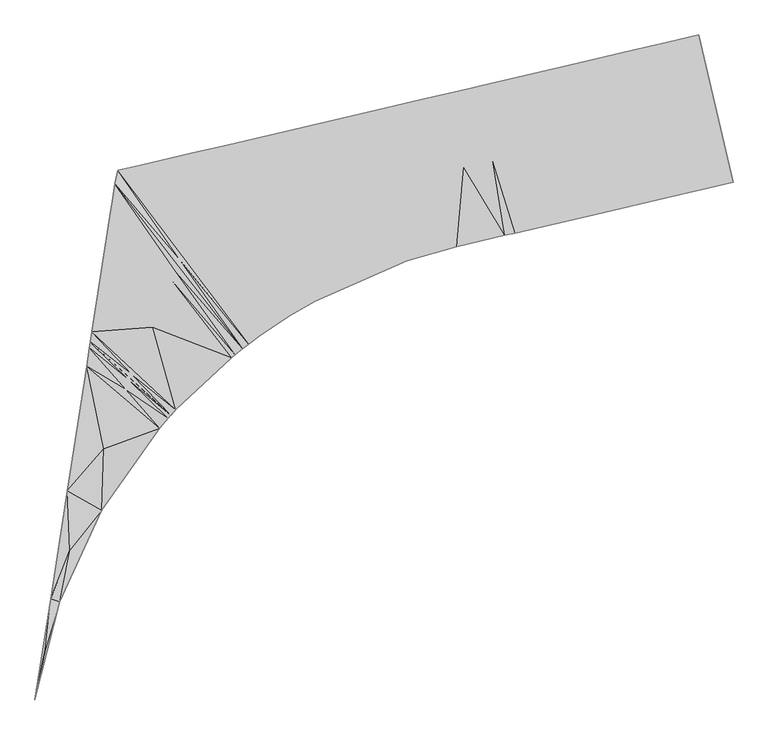
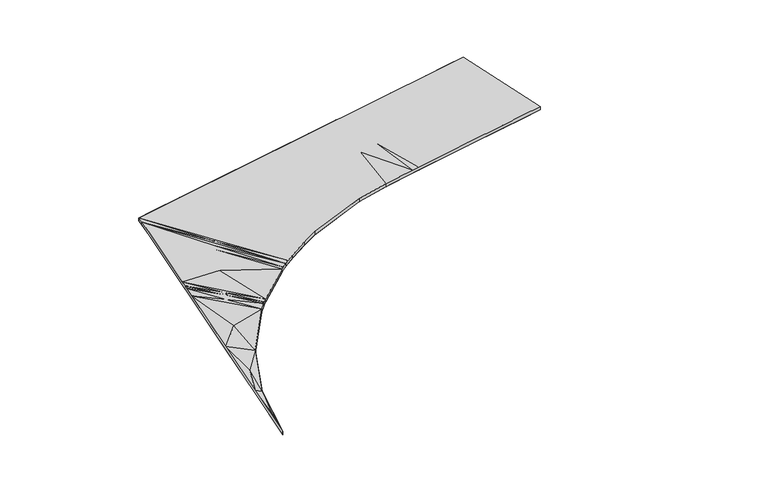
"""IFC4 building model written with IfcOpenShell, lengths in millimetres: proxy geometry."""

from ifc_helpers import new_model, si_unit, origin, place, context, project, spatial, triangles, source, transform, mapped, element, save


def roads_85f82cdd(model_context):
    return source(origin(), model_context, "Body", "Tessellation", [
        triangles([(-14462.0195801, -15696.5512024, 283724.4678223), (-15090.7998047, -15843.2573639, 283746.5687988), (-15090.7998047, -15843.2573639, 283646.5562988), (-14462.0195801, -15696.5512024, 283624.4553223), (-15117.233075, -14309.1370514, 283674.089502), (-15143.6663452, -12775.0179016, 283701.585498), (-15772.4465698, -12921.7240631, 283723.7608887), (-15772.4465698, -12921.7240631, 283823.7547852), (-15143.6663452, -12775.0179016, 283801.5793945), (-15117.233075, -14309.1370514, 283774.0833984), (-15778.747348, -16003.767334, 283771.7021484), (-15778.747348, -16003.767334, 283671.6896484), (-15775.5975403, -14462.7451172, 283697.7531738), (-16460.3952759, -13082.2340332, 283748.9686523), (-16460.3952759, -13082.2340332, 283848.9625488), (-15775.5975403, -14462.7451172, 283797.7470703), (-17038.4878967, -16297.6889282, 283718.6449219), (-17038.4878967, -16297.6889282, 283818.6388184), (-16749.4415863, -14689.9614807, 283733.8812012), (-17720.1358246, -13376.1556274, 283796.184375), (-17720.1358246, -13376.1556274, 283896.196875), (-16749.4415863, -14689.9614807, 283833.8750977), (-18786.0568085, -16705.4279938, 283783.7572266), (-18786.0568085, -16705.4279938, 283883.7697266), (-18253.0963165, -15040.7912292, 283790.0824219), (-19467.7035736, -13783.894693, 283861.705957), (-19467.7035736, -13783.894693, 283961.6998535), (-18253.0963165, -15040.7912292, 283890.0763184), (-18986.1771515, -16752.1204926, 283788.7057617), (-18986.1771515, -16752.1204926, 283888.7182617), (-19226.9403625, -15268.0075928, 283825.8383789), (-19667.8250793, -13830.5871918, 283869.2031738), (-19667.8250793, -13830.5871918, 283969.2156738), (-19226.9403625, -15268.0075928, 283925.8508789), (-19805.2748291, -15402.9435425, 283943.8404785), (-19942.7245789, -16975.2998932, 283912.3633301), (-19942.7245789, -16975.2998932, 283812.3694336), (-19805.2748291, -15402.9435425, 283843.846582), (-20624.3736694, -14053.7665924, 283905.070752), (-20624.3736694, -14053.7665924, 284005.0646484), (-20921.7624939, -17252.0411407, 283936.8827637), (-20921.7624939, -17252.0411407, 283836.8888672), (-20844.5741821, -15657.5093994, 283876.7003906), (-21889.4359863, -14348.9299713, 283952.4911133), (-21889.4359863, -14348.9299713, 284052.4850098), (-20844.5741821, -15657.5093994, 283976.6942871), (-22751.3624451, -18053.0143433, 283885.0533691), (-22751.3624451, -18053.0143433, 283985.0472656), (-22506.0030029, -16150.7537109, 283930.8366211), (-24461.4510864, -14949.0282257, 284048.9131348), (-22506.0030029, -16150.7537109, 284030.8305176), (-24461.4510864, -14949.0282257, 284148.9070313), (-23230.9820068, -18333.2670044, 283898.4292969), (-23230.9820068, -18333.2670044, 283998.4417969), (-23914.9332825, -16615.0928101, 283977.4012207), (-25215.9352661, -15125.0628296, 284077.209082), (-25215.9352661, -15125.0628296, 284177.2029785), (-23914.9332825, -16615.0928101, 284077.3951172), (-23820.9227417, -18725.0779724, 284015.5012207), (-23820.9227417, -18725.0779724, 283915.4887207), (-24621.087854, -16885.480957, 284001.4555664), (-26216.5114014, -15358.514859, 284114.7137695), (-26216.5114014, -15358.514859, 284214.707666), (-24621.087854, -16885.480957, 284101.4680664), (-24065.738031, -18904.4228394, 284022.8124023), (-24065.738031, -18904.4228394, 283922.7999023), (-25191.0646912, -17112.5647705, 284021.1008789), (-26661.0912415, -15462.244574, 284131.3825195), (-26661.0912415, -15462.244574, 284231.376416), (-25191.0646912, -17112.5647705, 284121.0947754), (-24184.7772766, -18995.4568176, 283926.4089844), (-24184.7772766, -18995.4568176, 284026.4214844), (-25407.9119202, -17272.1782837, 284041.1182617), (-26720.0388062, -15726.5912292, 284183.8816406), (-26720.0388062, -15726.5912292, 284283.8755371), (-25407.9119202, -17272.1782837, 284141.1121582), (-24332.5659302, -19112.115976, 283930.9482422), (-24332.5659302, -19112.115976, 284030.9421387), (-25502.7968262, -17476.8750916, 284055.8522461), (-26773.8076172, -16073.3351807, 284182.1701172), (-26773.8076172, -16073.3351807, 284282.1640137), (-25502.7968262, -17476.8750916, 284155.8461426), (-24405.9730774, -19171.6088562, 284033.2303711), (-24405.9730774, -19171.6088562, 283933.2178711), (-25578.1271118, -17650.0842865, 284056.9126465), (-26800.1594971, -16243.2794586, 284181.3143555), (-26800.1594971, -16243.2794586, 284281.3268555), (-25578.1271118, -17650.0842865, 284156.906543), (-25509.0685364, -20208.0037354, 283969.7179687), (-25509.0685364, -20208.0037354, 284069.7118652), (-25972.6402405, -18571.4245605, 284062.9959961), (-27175.3552002, -18662.8050293, 284167.696582), (-25972.6402405, -18571.4245605, 284162.9898926), (-27175.3552002, -18662.8050293, 284267.6904785), (-25604.3929504, -20312.1276123, 283973.1038086), (-25604.3929504, -20312.1276123, 284073.1163086), (-26373.8483093, -19511.7764648, 284069.2653809), (-27206.5788757, -18864.167157, 284166.5245605), (-27206.5788757, -18864.167157, 284266.518457), (-26373.8483093, -19511.7764648, 284169.2592773), (-25606.4044556, -20314.3553833, 284073.1907227), (-25606.4044556, -20314.3553833, 283973.1782227), (-26406.1533142, -19589.7647278, 284069.8234863), (-27207.2369751, -18868.4099213, 284166.505957), (-27207.2369751, -18868.4099213, 284266.4998535), (-26406.1533142, -19589.7647278, 284169.8359863), (-25608.4136353, -20316.5808289, 284073.2465332), (-25608.4136353, -20316.5808289, 283973.2526367), (-26407.4881165, -19592.9994141, 284069.8606934), (-27207.8950745, -18872.6503601, 284166.46875), (-27207.8950745, -18872.6503601, 284266.48125), (-26407.4881165, -19592.9994141, 284169.8545898), (-25658.2594299, -20372.1751099, 284075.0510742), (-25658.2594299, -20372.1751099, 283975.0571777), (-26424.6893921, -19634.7805847, 284070.1583496), (-27224.1871033, -18977.7113892, 284165.854834), (-27224.1871033, -18977.7113892, 284265.867334), (-26424.6893921, -19634.7805847, 284170.1522461), (-25831.0488831, -20570.9490234, 284081.394873), (-25831.0488831, -20570.9490234, 283981.4009766), (-26498.5081421, -19815.4858337, 284071.5164063), (-27280.5394775, -19341.1124634, 284163.7526367), (-26498.5081421, -19815.4858337, 284171.5103027), (-27280.5394775, -19341.1124634, 284263.7465332), (-26979.6066833, -22204.9027771, 284129.5779785), (-26979.6066833, -22204.9027771, 284029.5654785), (-26938.7091797, -20982.1495056, 284081.0228027), (-27663.6416748, -21811.6314331, 284149.3907227), (-27663.6416748, -21811.6314331, 284249.3846191), (-26938.7091797, -20982.1495056, 284181.0353027), (-27813.7859985, -24019.6036377, 284077.748584), (-27813.7859985, -24019.6036377, 284177.7424805), (-27613.2680054, -22997.8218201, 284098.3984863), (-27996.0353394, -23955.1447815, 284136.9263672), (-27996.0353394, -23955.1447815, 284236.9202637), (-27613.2680054, -22997.8218201, 284198.4109863), (-28306.0838562, -25955.2273499, 284125.9130859), (-28306.0838562, -25955.2273499, 284225.9069824), (-28105.5216797, -24971.2967102, 284116.4625), (-28306.1838501, -25955.2110718, 284125.2991699), (-28306.1838501, -25955.2110718, 284225.2930664), (-28105.5216797, -24971.2967102, 284216.475)], [[4, 1, 3], [2, 3, 1], [4, 5, 6], [7, 6, 5], [3, 7, 5], [3, 5, 4], [6, 7, 9], [8, 9, 7], [9, 10, 1], [2, 1, 10], [8, 2, 10], [8, 10, 9], [3, 2, 12], [11, 12, 2], [3, 13, 7], [14, 7, 13], [12, 14, 13], [12, 13, 3], [7, 14, 8], [15, 8, 14], [8, 16, 2], [11, 2, 16], [15, 11, 16], [15, 16, 8], [18, 17, 11], [12, 11, 17], [12, 19, 14], [20, 14, 19], [17, 20, 19], [17, 19, 12], [21, 15, 20], [14, 20, 15], [15, 22, 11], [18, 11, 22], [21, 18, 22], [21, 22, 15], [24, 23, 18], [17, 18, 23], [17, 25, 20], [26, 20, 25], [23, 26, 25], [23, 25, 17], [20, 26, 21], [27, 21, 26], [21, 28, 18], [24, 18, 28], [27, 24, 28], [27, 28, 21], [30, 29, 24], [23, 24, 29], [23, 31, 26], [32, 26, 31], [29, 31, 23], [33, 27, 32], [26, 32, 27], [27, 34, 24], [30, 24, 34], [34, 33, 35], [35, 30, 34], [33, 34, 27], [29, 30, 37], [36, 37, 30], [38, 32, 31], [31, 29, 38], [39, 32, 38], [37, 39, 38], [37, 38, 29], [36, 30, 35], [40, 36, 35], [40, 35, 33], [37, 36, 42], [41, 42, 36], [37, 43, 39], [44, 39, 43], [42, 44, 43], [42, 43, 37], [39, 44, 40], [32, 39, 33], [40, 33, 39], [45, 40, 44], [40, 46, 36], [41, 36, 46], [45, 41, 46], [45, 46, 40], [48, 47, 41], [42, 41, 47], [42, 49, 44], [50, 44, 49], [47, 50, 49], [47, 49, 42], [45, 51, 41], [48, 41, 51], [52, 48, 51], [52, 51, 45], [54, 53, 48], [47, 48, 53], [47, 55, 50], [56, 50, 55], [53, 56, 55], [53, 55, 47], [44, 50, 45], [45, 50, 52], [56, 57, 52], [56, 52, 50], [52, 58, 48], [54, 48, 58], [57, 54, 58], [57, 58, 52], [53, 54, 60], [59, 60, 54], [53, 61, 56], [62, 56, 61], [60, 62, 61], [60, 61, 53], [63, 57, 62], [56, 62, 57], [57, 64, 54], [59, 54, 64], [63, 59, 64], [63, 64, 57], [60, 59, 66], [65, 66, 59], [60, 67, 62], [68, 62, 67], [66, 68, 67], [66, 67, 60], [69, 63, 68], [62, 68, 63], [63, 70, 59], [65, 59, 70], [69, 65, 70], [69, 70, 63], [72, 71, 65], [66, 65, 71], [66, 73, 68], [73, 74, 68], [71, 74, 73], [71, 73, 66], [68, 74, 69], [75, 69, 74], [69, 76, 65], [72, 65, 76], [75, 72, 76], [69, 75, 76], [78, 77, 72], [71, 72, 77], [71, 79, 74], [79, 80, 74], [77, 80, 79], [77, 79, 71], [80, 81, 74], [75, 74, 81], [75, 82, 72], [78, 72, 82], [81, 78, 82], [75, 81, 82], [77, 78, 84], [83, 84, 78], [77, 85, 80], [85, 86, 80], [84, 86, 85], [84, 85, 77], [86, 87, 80], [81, 80, 87], [81, 88, 78], [83, 78, 88], [87, 83, 88], [81, 87, 88], [90, 89, 83], [84, 83, 89], [84, 91, 86], [92, 86, 91], [89, 92, 91], [89, 91, 84], [87, 93, 83], [90, 83, 93], [94, 90, 93], [94, 93, 87], [96, 95, 90], [89, 90, 95], [89, 97, 92], [97, 98, 92], [95, 98, 97], [95, 97, 89], [98, 99, 92], [92, 99, 94], [94, 87, 86], [94, 86, 92], [94, 100, 90], [96, 90, 100], [99, 96, 100], [94, 99, 100], [95, 96, 102], [101, 102, 96], [95, 103, 98], [103, 104, 98], [102, 104, 103], [95, 102, 103], [99, 98, 105], [104, 105, 98], [99, 106, 96], [106, 101, 96], [105, 101, 106], [99, 105, 106], [102, 101, 108], [107, 108, 101], [102, 109, 104], [109, 110, 104], [108, 110, 109], [102, 108, 109], [105, 104, 111], [110, 111, 104], [105, 112, 101], [112, 107, 101], [111, 107, 112], [105, 111, 112], [108, 107, 114], [113, 114, 107], [108, 115, 110], [115, 116, 110], [114, 116, 115], [114, 115, 108], [116, 117, 110], [111, 110, 117], [111, 118, 107], [113, 107, 118], [117, 113, 118], [111, 117, 118], [114, 113, 120], [119, 120, 113], [114, 121, 116], [121, 122, 116], [120, 122, 121], [120, 121, 114], [117, 123, 113], [119, 113, 123], [124, 119, 123], [117, 124, 123], [120, 119, 126], [125, 126, 119], [120, 127, 122], [128, 122, 127], [126, 128, 127], [126, 127, 120], [128, 129, 122], [122, 129, 124], [124, 117, 116], [124, 116, 122], [124, 130, 119], [125, 119, 130], [129, 125, 130], [129, 130, 124], [132, 131, 125], [126, 125, 131], [126, 133, 128], [134, 128, 133], [131, 134, 133], [131, 133, 126], [134, 135, 128], [129, 128, 135], [129, 136, 125], [132, 125, 136], [135, 132, 136], [135, 136, 129], [138, 137, 132], [131, 132, 137], [134, 131, 139], [140, 134, 139], [137, 140, 139], [137, 139, 131], [135, 134, 141], [140, 141, 134], [135, 142, 132], [138, 132, 142], [142, 141, 138], [141, 142, 135], [9, 1, 6], [4, 6, 1]], closed=False),
    ])


if __name__ == "__main__":
    model = new_model("IFC4")
    model_context = context("Model", 3, world=origin())
    ifc_project = project(units=[si_unit("LENGTHUNIT", "METRE", prefix="MILLI")], contexts=[model_context])
    site = spatial("IfcSite", under=ifc_project)
    building = spatial("IfcBuilding", under=site)
    placement = place(None, origin())
    roads_shape = roads_85f82cdd(model_context)
    element("IfcBuildingElementProxy", 1, Name="Roads", at=placement, inside=building, context=model_context, shape_type="MappedRepresentation", body=[
        mapped(roads_shape, transform((0.0, 0.0, 0.0), x_axis=(1.0, 0.0, 0.0), y_axis=(0.0, 1.0, 0.0), z_axis=(0.0, 0.0, 1.0))),
    ])
    save(model, "model.ifc")
